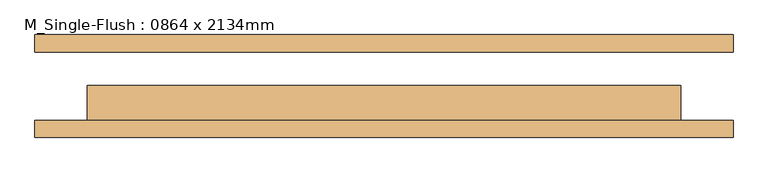
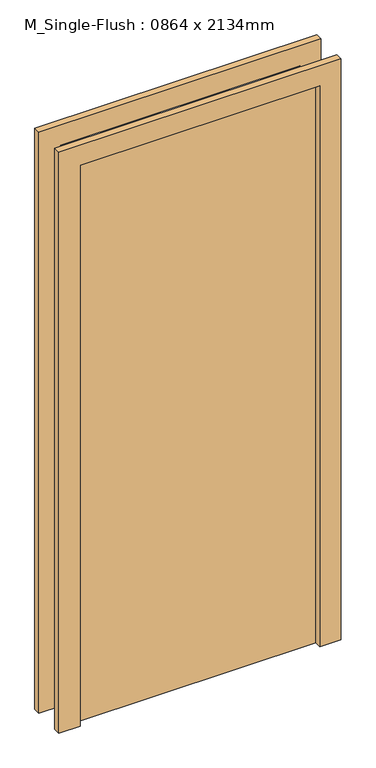
"""IFC4 building model written with IfcOpenShell, lengths in millimetres: door geometry, M_Single-Flush : 0864 x 2134mm."""

from ifc_helpers import new_model, si_unit, frame, origin, origin_with_axes, place, context, project, spatial, polyline, outline, extrude, source, transform, mapped, element, save


def m_single_flush_0864_x_2134mm_bdbe8edc(model_context):
    return source(origin(), model_context, "Body", "SweptSolid", [
        extrude(outline(polyline([(2210.0, -508.0), (0.0, -508.0), (0.0, -432.0), (2134.0, -432.0), (2134.0, 432.0), (0.0, 432.0), (0.0, 508.0), (2210.0, 508.0), (2210.0, -508.0)])), frame((0.0, -75.0, 0.0), z_axis=(0.0, 1.0, 0.0), x_axis=(0.0, 0.0, 1.0)), (0.0, 0.0, 1.0), 25.0),
        extrude(outline(polyline([(2210.0, 508.0), (2210.0, -508.0), (0.0, -508.0), (0.0, -432.0), (2134.0, -432.0), (2134.0, 432.0), (0.0, 432.0), (0.0, 508.0), (2210.0, 508.0)])), frame((0.0, 50.0, 0.0), z_axis=(0.0, 1.0, 0.0), x_axis=(0.0, 0.0, 1.0)), (0.0, 0.0, 1.0), 25.0),
        extrude(outline(polyline([(432.0, 1.0), (432.0, -50.0), (-432.0, -50.0), (-432.0, 1.0), (432.0, 1.0)])), origin_with_axes(), (0.0, 0.0, 1.0), 2134.0),
    ])


if __name__ == "__main__":
    model = new_model("IFC4")
    model_context = context("Model", 3, world=origin())
    ifc_project = project(units=[si_unit("LENGTHUNIT", "METRE", prefix="MILLI")], contexts=[model_context])
    site = spatial("IfcSite", under=ifc_project)
    building = spatial("IfcBuilding", under=site)
    placement = place(None, origin())
    m_single_flush_0864_x_2134mm_shape = m_single_flush_0864_x_2134mm_bdbe8edc(model_context)
    element("IfcDoor", 1, ObjectType="M_Single-Flush : 0864 x 2134mm", at=placement, inside=building, context=model_context, shape_type="MappedRepresentation", body=[
        mapped(m_single_flush_0864_x_2134mm_shape, transform((0.0, 0.0, 0.0), x_axis=(1.0, 0.0, 0.0), y_axis=(0.0, 1.0, 0.0), z_axis=(0.0, 0.0, 1.0))),
    ])
    save(model, "model.ifc")
